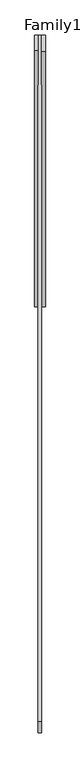
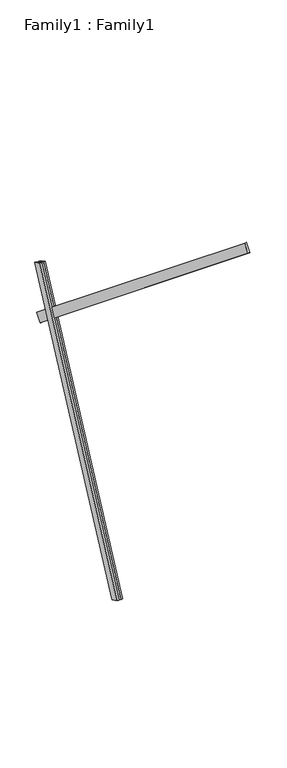
"""IFC4 building model written with IfcOpenShell, lengths in millimetres: proxy geometry, Family1 : Family1."""

from ifc_helpers import new_model, si_unit, frame, origin, place, context, project, spatial, polyline, outline, extrude, source, transform, mapped, element, save


def family1_family1_b28b02f7(model_context):
    return source(origin(), model_context, "Body", "SweptSolid", [
        extrude(outline(polyline([(0.0, 0.0), (0.0, -20.0), (-100.0000001, -20.0), (-100.0000001, 0.0), (0.0, 0.0)])), frame((-30.0, 46.3241747, -22.5938096), z_axis=(0.0, 0.4383711467890692, 0.8987940462991711), x_axis=(0.0, 0.8987940462991711, -0.4383711467890692)), (0.0, 0.0, 1.0), 3300.0),
        extrude(outline(polyline([(0.0, 0.0), (0.0, -20.0), (-99.9999999, -20.0), (-99.9999999, 0.0), (0.0, 0.0)])), frame((10.0, 45.270232, -22.0797674), z_axis=(0.0, 0.4383711467890692, 0.8987940462991711), x_axis=(0.0, 0.8987940462991711, -0.4383711467890692)), (0.0, 0.0, 1.0), 3300.0),
        extrude(outline(polyline([(0.0, -20.0), (0.0, 0.0), (5000.0, 0.0), (5000.0, -20.0), (0.0, -20.0)])), frame((-10.0, -2455.2625008, 5434.4783966), z_axis=(0.0, 0.6293203910498388, 0.7771459614569698), x_axis=(0.0, 0.7771459614569698, -0.6293203910498388)), (0.0, 0.0, 1.0), 100.0),
    ])


if __name__ == "__main__":
    model = new_model("IFC4")
    model_context = context("Model", 3, world=origin())
    ifc_project = project(units=[si_unit("LENGTHUNIT", "METRE", prefix="MILLI")], contexts=[model_context])
    site = spatial("IfcSite", under=ifc_project)
    building = spatial("IfcBuilding", under=site)
    placement = place(None, origin())
    family1_family1_shape = family1_family1_b28b02f7(model_context)
    element("IfcBuildingElementProxy", 1, Name="Family1 : Family1", ObjectType="Family1 : Family1", at=placement, inside=building, context=model_context, shape_type="MappedRepresentation", body=[
        mapped(family1_family1_shape, transform((0.0, 0.0, 0.0), x_axis=(1.0, 0.0, 0.0), y_axis=(0.0, 1.0, 0.0), z_axis=(0.0, 0.0, 1.0))),
    ])
    save(model, "model.ifc")
